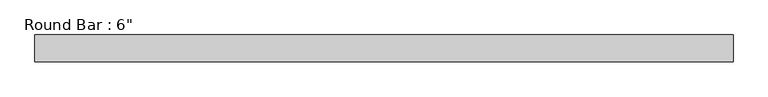
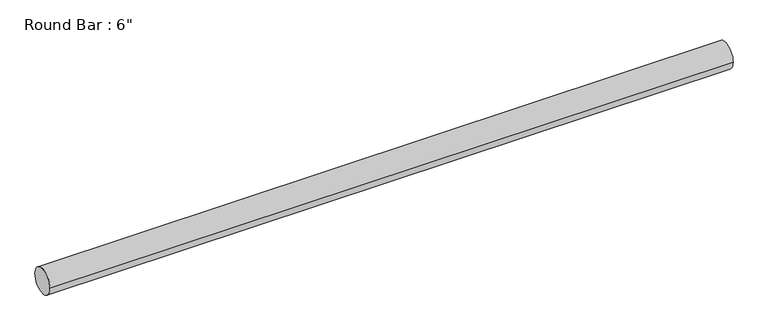
"""IFC4 building model written with IfcOpenShell, lengths in millimetres: beam geometry."""

from ifc_helpers import new_model, si_unit, point, frame, origin, origin_2d, place, context, project, spatial, circle_curve, trimmed, segment, composite_curve, outline, extrude, source, transform, mapped, element, save


def beam_82ca77ea(model_context):
    return source(origin(), model_context, "Body", "SweptSolid", [
        extrude(outline(composite_curve([segment(trimmed(circle_curve(origin_2d(), 76.2), [point((-76.2, 0.0))], [point((76.2, 0.0))], False, "CARTESIAN"), True, "CONTINUOUS"), segment(trimmed(circle_curve(origin_2d(), 76.2), [point((76.2, 0.0))], [point((-76.2, 0.0))], False, "CARTESIAN"), True, "CONTINUOUS")], self_intersect=False)), frame((-2001.5745679, 0.0, 0.0), z_axis=(1.0, 0.0, 0.0), x_axis=(0.0, 1.0, 0.0)), (0.0, 0.0, 1.0), 3988.5166178),
    ])


if __name__ == "__main__":
    model = new_model("IFC4")
    model_context = context("Model", 3, world=origin())
    ifc_project = project(units=[si_unit("LENGTHUNIT", "METRE", prefix="MILLI")], contexts=[model_context])
    site = spatial("IfcSite", under=ifc_project)
    building = spatial("IfcBuilding", under=site)
    placement = place(None, origin())
    beam_shape = beam_82ca77ea(model_context)
    element("IfcBeam", 1, ObjectType="Round Bar : 6\"", at=placement, inside=building, context=model_context, shape_type="MappedRepresentation", body=[
        mapped(beam_shape, transform((0.0, 0.0, 0.0), x_axis=(1.0, 0.0, 0.0), y_axis=(0.0, 1.0, 0.0), z_axis=(0.0, 0.0, 1.0))),
    ])
    save(model, "model.ifc")
